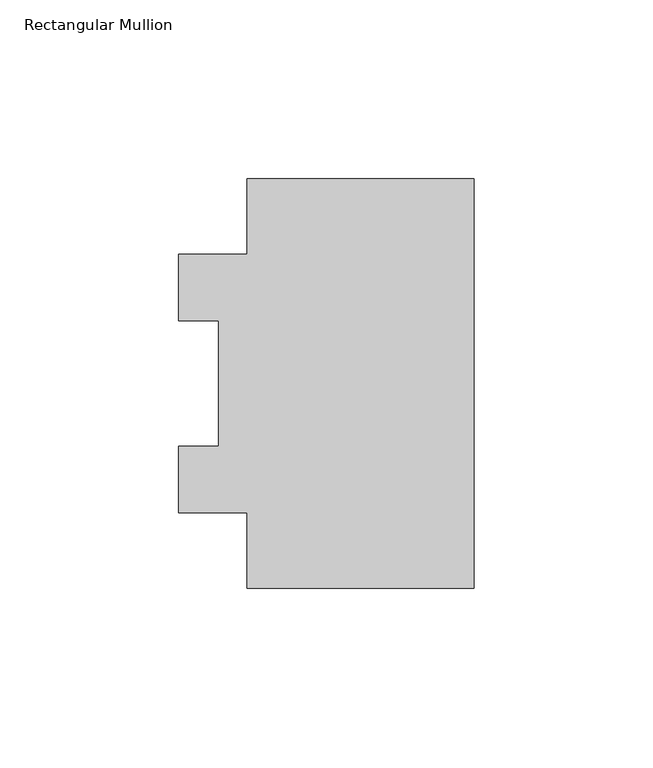
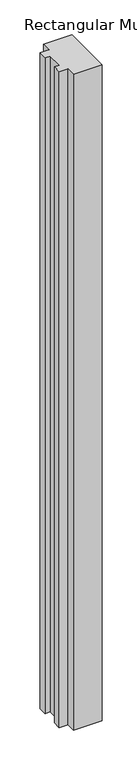
"""IFC4 building model written with IfcOpenShell, lengths in millimetres: member geometry, Rectangular Mullion."""

from ifc_helpers import new_model, si_unit, frame, origin, place, context, project, spatial, polyline, outline, extrude, source, transform, mapped, element, save


def rectangular_mullion_1388dc02(model_context):
    return source(origin(), model_context, "Body", "SweptSolid", [
        extrude(outline(polyline([(-63.5, 114.271425), (0.0, 114.271425), (0.0, -0.028575), (-63.5, -0.028575), (-63.5, 20.977225), (-82.55, 20.977225), (-82.55, 39.646225), (-71.4375, 39.646225), (-71.4375, 74.596625), (-82.55, 74.596625), (-82.55, 93.265625), (-63.5, 93.265625), (-63.5, 114.271425)])), frame((0.0, 0.0, -1524.0), z_axis=(0.0, 0.0, 1.0), x_axis=(1.0, 0.0, 0.0)), (0.0, 0.0, 1.0), 1524.0),
    ])


if __name__ == "__main__":
    model = new_model("IFC4")
    model_context = context("Model", 3, world=origin())
    ifc_project = project(units=[si_unit("LENGTHUNIT", "METRE", prefix="MILLI")], contexts=[model_context])
    site = spatial("IfcSite", under=ifc_project)
    building = spatial("IfcBuilding", under=site)
    placement = place(None, origin())
    rectangular_mullion_shape = rectangular_mullion_1388dc02(model_context)
    element("IfcMember", 1, ObjectType="Rectangular Mullion", at=placement, inside=building, context=model_context, shape_type="MappedRepresentation", body=[
        mapped(rectangular_mullion_shape, transform((0.0, 0.0, 0.0), x_axis=(1.0, 0.0, 0.0), y_axis=(0.0, 1.0, 0.0), z_axis=(0.0, 0.0, 1.0))),
    ])
    save(model, "model.ifc")
